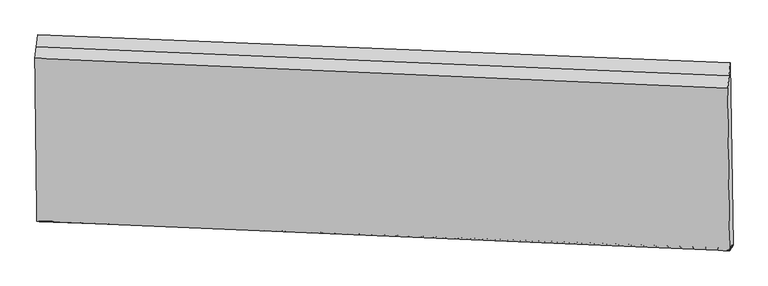
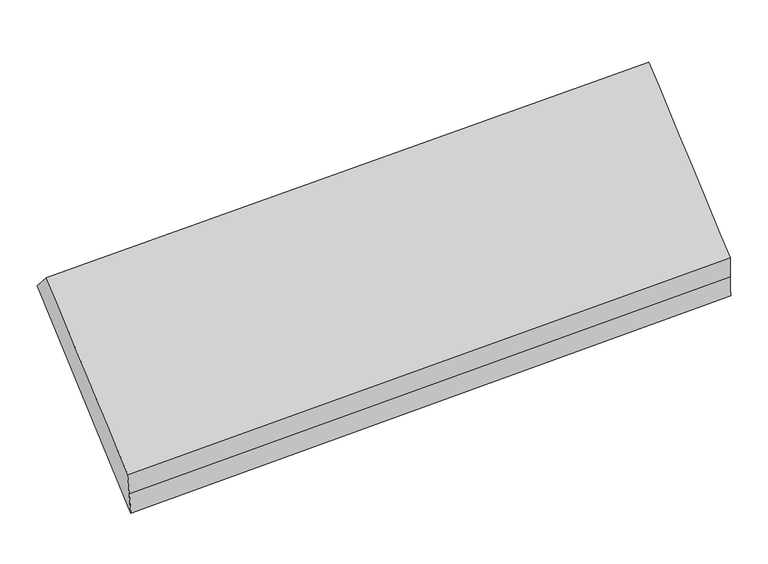
"""IFC4 building model written with IfcOpenShell, lengths in millimetres: proxy geometry."""

import ifcopenshell
import ifcopenshell.guid

model = None  # the IFC model being written
_history = None  # IfcOwnerHistory: only IFC2X3 demands one
_inside = {}  # id of a spatial element -> (the spatial element, [elements in it])
_under = {}  # id of a project, library or spatial element -> (it, [spatial elements below it])
_declared = {}  # id of a project -> (the project, [libraries it declares])
_typed = {}  # id of a type object -> (the type object, [elements of that type])
_made_of = {}  # id of a material, layer set ... -> (it, [elements and type objects made of it])


def new_model(schema):
    """Start an empty IFC model of exactly this schema.

    Asked for "IFC4X3", IfcOpenShell would pick the latest addendum, in which some entities
    have other attributes; the version numbers below select the first issue.
    IFC2X3 requires an IfcOwnerHistory on every rooted entity: one is made here for all.
    """
    global model, _history
    if schema == "IFC4X3":
        model = ifcopenshell.file(schema_version=(4, 3, 0, 0))
    else:
        model = ifcopenshell.file(schema=schema)
    _inside.clear()
    _under.clear()
    _declared.clear()
    _typed.clear()
    _made_of.clear()
    _history = None
    if model.schema == "IFC2X3":
        org = make("IfcOrganization", Name="unknown")
        user = make(
            "IfcPersonAndOrganization",
            ThePerson=make("IfcPerson", FamilyName="unknown"),
            TheOrganization=org,
        )
        app = make(
            "IfcApplication",
            ApplicationDeveloper=org,
            Version="unknown",
            ApplicationFullName="unknown",
            ApplicationIdentifier="unknown",
        )
        _history = make(
            "IfcOwnerHistory",
            OwningUser=user,
            OwningApplication=app,
            ChangeAction="ADDED",
            CreationDate=0,
        )
    return model


def make(cls, **values):
    """One entity of the class cls with the attributes given. An attribute that is None is left unset."""
    return model.create_entity(
        cls, **{name: value for name, value in values.items() if value is not None}
    )


def rooted(cls, **values):
    """An entity with a GlobalId (a new one), such as an element, a storey or a relation."""
    return make(cls, GlobalId=ifcopenshell.guid.new(), OwnerHistory=_history, **values)


def si_unit(unit_type, name, prefix=None):
    """IfcSIUnit, for example si_unit("LENGTHUNIT", "METRE", prefix="MILLI")."""
    return make("IfcSIUnit", UnitType=unit_type, Prefix=prefix, Name=name)


def assignment(units):
    """IfcUnitAssignment: the units of a project."""
    return None if units is None else make("IfcUnitAssignment", Units=units)


def point(xyz):
    """IfcCartesianPoint."""
    return None if xyz is None else make("IfcCartesianPoint", Coordinates=xyz)


def direction(xyz):
    """IfcDirection."""
    return None if xyz is None else make("IfcDirection", DirectionRatios=xyz)


def frame(location, z_axis=None, x_axis=None):
    """IfcAxis2Placement3D, a coordinate frame: its origin and axes. An axis left out is left unset."""
    return make(
        "IfcAxis2Placement3D",
        Location=point(location),
        Axis=direction(z_axis),
        RefDirection=direction(x_axis),
    )


def origin():
    """The frame at (0, 0, 0) with its axes left unset."""
    return frame((0.0, 0.0, 0.0))


def place(relative_to, where):
    """IfcLocalPlacement: puts the frame where relative to a parent placement (None: the world)."""
    return make(
        "IfcLocalPlacement", PlacementRelTo=relative_to, RelativePlacement=where
    )


def context(
    kind, dimensions, precision=None, world=None, true_north=None, identifier=None
):
    """IfcGeometricRepresentationContext, for example the 3D "Model" context."""
    return make(
        "IfcGeometricRepresentationContext",
        ContextIdentifier=identifier,
        ContextType=kind,
        CoordinateSpaceDimension=dimensions,
        Precision=precision,
        WorldCoordinateSystem=world,
        TrueNorth=true_north,
    )


def project(units=None, contexts=None):
    """IfcProject with its units and contexts."""
    return rooted(
        "IfcProject",
        Name="project",
        RepresentationContexts=contexts,
        UnitsInContext=assignment(units),
    )


def spatial(cls, under=None, at=None, **own):
    """A site, building, storey or space (cls), placed at a placement, below another one or the project."""
    s = rooted(cls, ObjectPlacement=at, **own)
    if under is not None:
        _under.setdefault(under.id(), (under, []))[1].append(s)
    return s


def shape(context_of_items, identifier, shape_type, items):
    """IfcShapeRepresentation: the items that make up one representation, for example the "Body"."""
    return make(
        "IfcShapeRepresentation",
        ContextOfItems=context_of_items,
        RepresentationIdentifier=identifier,
        RepresentationType=shape_type,
        Items=items,
    )


def source(mapping_origin, context_of_items, identifier, shape_type, items):
    """IfcRepresentationMap: a shape defined once, which mapped items show again and again."""
    return make(
        "IfcRepresentationMap",
        MappingOrigin=mapping_origin,
        MappedRepresentation=shape(context_of_items, identifier, shape_type, items),
    )


def transform(
    local_origin,
    x_axis=None,
    y_axis=None,
    z_axis=None,
    scale=None,
    scale2=None,
    scale3=None,
    uniform=True,
):
    """IfcCartesianTransformationOperator3D, or its non-uniform kind. x_axis, y_axis, z_axis: its Axis1, 2, 3."""
    if uniform:
        return make(
            "IfcCartesianTransformationOperator3D",
            Axis1=direction(x_axis),
            Axis2=direction(y_axis),
            LocalOrigin=point(local_origin),
            Scale=scale,
            Axis3=direction(z_axis),
        )
    return make(
        "IfcCartesianTransformationOperator3DnonUniform",
        Axis1=direction(x_axis),
        Axis2=direction(y_axis),
        LocalOrigin=point(local_origin),
        Scale=scale,
        Axis3=direction(z_axis),
        Scale2=scale2,
        Scale3=scale3,
    )


def mapped(mapping_source, mapping_target):
    """IfcMappedItem: shows the shape of a source again, moved by a transform."""
    return make(
        "IfcMappedItem", MappingSource=mapping_source, MappingTarget=mapping_target
    )


def made_of(thing, what):
    """Note that an element or type object is made of a material, layer set ...; save() writes the relation."""
    if what is not None:
        _made_of.setdefault(what.id(), (what, []))[1].append(thing)
    return thing


def element(
    cls,
    number,
    at=None,
    inside=None,
    cuts=None,
    type_object=None,
    material=None,
    context=None,
    identifier="Body",
    shape_type=None,
    held_by="IfcProductDefinitionShape",
    body=None,
    shapes=None,
    **own,
):
    """One element of the class cls, such as IfcWall. Its Tag is "e" and its number.

    at: its placement. inside: the storey or other place that contains it. cuts: it is an
    opening in that element (IfcRelVoidsElement). A single representation is given by context,
    identifier, shape_type and body (its items); several are given by shapes. held_by: the class
    of the entity that holds the representations. save() writes the other relations.
    """
    e = rooted(cls, Tag="e%d" % number, ObjectPlacement=at, **own)
    if body is not None:
        shapes = [shape(context, identifier, shape_type, body)]
    if shapes is not None:
        e.Representation = make(held_by, Representations=shapes)
    if inside is not None:
        _inside.setdefault(inside.id(), (inside, []))[1].append(e)
    if cuts is not None:
        rooted(
            "IfcRelVoidsElement", RelatingBuildingElement=cuts, RelatedOpeningElement=e
        )
    if type_object is not None:
        _typed.setdefault(type_object.id(), (type_object, []))[1].append(e)
    return made_of(e, material)


def aggregate(whole, parts):
    """IfcRelAggregates: a whole, such as a stair, and the parts it consists of."""
    return rooted("IfcRelAggregates", RelatingObject=whole, RelatedObjects=parts)


def save(model, path):
    """Write the relations noted so far, then the file.

    IfcRelAggregates (storeys below a building ...), IfcRelContainedInSpatialStructure (elements
    in a storey), IfcRelDefinesByType, IfcRelAssociatesMaterial and IfcRelDeclares: one each for
    every whole, place, type object, material and project.
    """
    for whole, parts in _under.values():
        aggregate(whole, parts)
    for where, things in _inside.values():
        rooted(
            "IfcRelContainedInSpatialStructure",
            RelatedElements=things,
            RelatingStructure=where,
        )
    for kind, things in _typed.values():
        rooted("IfcRelDefinesByType", RelatedObjects=things, RelatingType=kind)
    for what, things in _made_of.values():
        rooted("IfcRelAssociatesMaterial", RelatedObjects=things, RelatingMaterial=what)
    for by, libraries in _declared.values():
        rooted("IfcRelDeclares", RelatingContext=by, RelatedDefinitions=libraries)
    model.write(path)


def plane_surface(at):
    """IfcPlane: the flat surface through the origin of the frame at, square to its z axis."""
    return make("IfcPlane", Position=at)


def spline_surface(u_degree, v_degree, points, u_multiplicities, v_multiplicities, u_knots, v_knots, weights=None):
    """IfcBSplineSurfaceWithKnots; with weights, IfcRationalBSplineSurfaceWithKnots. points: one row for each step in u."""
    own = dict(
        UDegree=u_degree,
        VDegree=v_degree,
        ControlPointsList=[[point(p) for p in row] for row in points],
        SurfaceForm="UNSPECIFIED",
        UClosed=False,
        VClosed=False,
        SelfIntersect=False,
        UMultiplicities=u_multiplicities,
        VMultiplicities=v_multiplicities,
        UKnots=u_knots,
        VKnots=v_knots,
        KnotSpec="UNSPECIFIED",
    )
    if weights is None:
        return make("IfcBSplineSurfaceWithKnots", **own)
    return make("IfcRationalBSplineSurfaceWithKnots", WeightsData=weights, **own)


def advanced_brep(points, edges, surfaces, faces):
    """IfcAdvancedBrep: a solid bounded by faces that lie on surfaces and meet in shared edges.

    An edge is (start, end): straight between two places in points (the first is 0);
    or (start, end, curve); or (start, end, curve, False) where it runs against its curve.
    A face is (place in surfaces, loops), or (place, loops, False) where it looks against
    its surface's normal. A loop lists edges by number (the first is 1), with a minus sign
    where the edge is run from its end to its start. The first loop is the outer one.
    """
    corners = [point(p) for p in points]
    vertices = [make("IfcVertexPoint", VertexGeometry=c) for c in corners]
    made = []
    for start, end, *more in edges:
        made.append(
            make(
                "IfcEdgeCurve",
                EdgeStart=vertices[start],
                EdgeEnd=vertices[end],
                EdgeGeometry=more[0] if more else make("IfcPolyline", Points=[corners[start], corners[end]]),
                SameSense=more[1] if len(more) > 1 else True,
            )
        )
    hull = []
    for where, loops, *sense in faces:
        bounds = []
        for j, loop in enumerate(loops):
            ring = [make("IfcOrientedEdge", EdgeElement=made[abs(k) - 1], Orientation=k > 0) for k in loop]
            bounds.append(
                make(
                    "IfcFaceOuterBound" if j == 0 else "IfcFaceBound",
                    Bound=make("IfcEdgeLoop", EdgeList=ring),
                    Orientation=True,
                )
            )
        hull.append(make("IfcAdvancedFace", Bounds=bounds, FaceSurface=surfaces[where], SameSense=sense[0] if sense else True))
    return make("IfcAdvancedBrep", Outer=make("IfcClosedShell", CfsFaces=hull))


def generic_models_e651fc48(model_context):
    return source(origin(), model_context, "Body", "AdvancedBrep", [
        advanced_brep(
        [(-5122.8227947, -813.681364, 2486.6606864), (-5109.5555931, -1867.6090851, 1531.3453264), (-621.9565681, -2059.019846, 1827.0800481), (-634.5078294, -1006.4781344, 2770.0386347), (-5099.624215, -1868.9636906, 1372.5589952), (-610.6687441, -2042.0581199, 1659.6753586), (-5089.6928369, -1870.318296, 1213.7726639), (-599.38092, -2025.0963938, 1492.2706691), (-5105.7553685, -661.0139841, 2323.2662554), (-616.2277653, -842.9637614, 2595.0350554), (-5114.2890816, -737.3476741, 2404.9634709), (-625.3677973, -924.7209479, 2682.536845)],
        [
            (0, 1),
            (1, 2),
            (2, 3),
            (3, 0),
            (1, 4),
            (4, 5),
            (5, 2),
            (4, 6),
            (6, 7),
            (7, 5),
            (6, 8),
            (8, 9),
            (9, 7),
            (8, 10),
            (10, 11),
            (11, 9),
            (10, 0),
            (3, 11),
        ],
        [
            spline_surface(1, 1, [[(-5122.8227947, -813.681364, 2486.6606864), (-634.5078294, -1006.4781344, 2770.0386347)], [(-5109.5555931, -1867.6090851, 1531.3453264), (-621.9565681, -2059.019846, 1827.0800481)]], [2, 2], [2, 2], [0.0, 1.0], [0.0, 1.0]),
            spline_surface(1, 1, [[(-5109.5555931, -1867.6090851, 1531.3453264), (-621.9565681, -2059.019846, 1827.0800481)], [(-5099.624215, -1868.9636906, 1372.5589952), (-610.6687441, -2042.0581199, 1659.6753586)]], [2, 2], [2, 2], [0.0, 1.0], [0.0, 1.0]),
            spline_surface(1, 1, [[(-5099.624215, -1868.9636906, 1372.5589952), (-610.6687441, -2042.0581199, 1659.6753586)], [(-5089.6928369, -1870.318296, 1213.7726639), (-599.38092, -2025.0963938, 1492.2706691)]], [2, 2], [2, 2], [0.0, 1.0], [0.0, 1.0]),
            spline_surface(1, 1, [[(-5089.6928369, -1870.318296, 1213.7726639), (-599.38092, -2025.0963938, 1492.2706691)], [(-5105.7553685, -661.0139841, 2323.2662554), (-616.2277653, -842.9637614, 2595.0350554)]], [2, 2], [2, 2], [0.0, 1.0], [0.0, 1.0]),
            plane_surface(frame((-5110.0222251, -699.1808291, 2364.1148631), z_axis=(-0.011649767827742769, 0.7312422389616283, 0.682018380154043), x_axis=(-0.07610264090709586, -0.6807347930779252, 0.7285660776759512))),
            plane_surface(frame((-5118.5559381, -775.514519, 2445.8120786), z_axis=(-0.011649767827742831, 0.7312422389616281, 0.6820183801540429), x_axis=(-0.07610264090709472, -0.6807347930779252, 0.7285660776759512))),
            plane_surface(frame((-618.0182707, -1483.3895339, 2171.1061018), z_axis=(0.9970455379490013, -0.044317426977229374, 0.06273883105465507), x_axis=(-0.07610264090709529, -0.6807347930779252, 0.7285660776759512))),
            plane_surface(frame((-5106.9566483, -1303.1556823, 1888.761233), z_axis=(-0.9970455379490012, 0.04431742697723193, -0.06273883105465655), x_axis=(0.0761026409070981, 0.6807347930779256, -0.7285660776759505))),
        ],
        [
            (0, [[1, 2, 3, 4]]),
            (1, [[5, 6, 7, -2]]),
            (2, [[8, 9, 10, -6]]),
            (3, [[11, 12, 13, -9]]),
            (4, [[14, 15, 16, -12]]),
            (5, [[17, -4, 18, -15]]),
            (6, [[-16, -18, -3, -7, -10, -13]]),
            (7, [[-17, -14, -11, -8, -5, -1]]),
        ],
    ),
    ])


if __name__ == "__main__":
    model = new_model("IFC4")
    model_context = context("Model", 3, world=origin())
    ifc_project = project(units=[si_unit("LENGTHUNIT", "METRE", prefix="MILLI")], contexts=[model_context])
    site = spatial("IfcSite", under=ifc_project)
    building = spatial("IfcBuilding", under=site)
    placement = place(None, origin())
    generic_models_shape = generic_models_e651fc48(model_context)
    element("IfcBuildingElementProxy", 1, Name="Generic Models", at=placement, inside=building, context=model_context, shape_type="MappedRepresentation", body=[
        mapped(generic_models_shape, transform((0.0, 0.0, 0.0), x_axis=(1.0, 0.0, 0.0), y_axis=(0.0, 1.0, 0.0), z_axis=(0.0, 0.0, 1.0))),
    ])
    save(model, "model.ifc")
